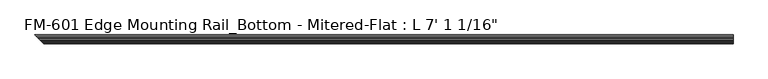
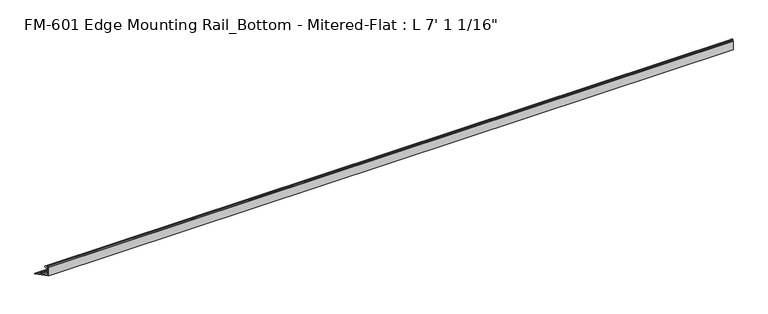
"""IFC4 building model written with IfcOpenShell, lengths in millimetres: proxy geometry."""

from ifc_helpers import new_model, si_unit, frame, origin, place, context, project, spatial, polyline, circle_curve, ellipse_curve, source, transform, mapped, element, save
from ifc_brep_helpers import plane_surface, cylinder_surface, revolved_surface, advanced_brep


def proxy_6fc5c407(model_context):
    return source(origin(), model_context, "Body", "AdvancedBrep", [
        advanced_brep(
        [(2160.5875, -13.6400687, 32.1158903), (2160.5875, -15.4750158, 32.6885982), (2160.5875, -16.1549378, 32.2686835), (2160.5875, -16.1549378, 30.7270734), (2160.5875, -17.7424378, 29.1395734), (2160.5875, -19.05, 29.1395734), (2160.5875, -19.05, 0.0), (2160.5875, 8.2663259, 0.0), (2160.5875, 8.2663259, 1.5874515), (2160.5875, 4.3959178, 1.5874515), (2160.5875, 1.2463178, 1.5874515), (2160.5875, -3.2106953, 1.5874515), (2160.5875, -6.3856306, 1.6018072), (2160.5875, -15.5573314, 1.6102595), (2160.5875, -17.4625, 3.5152595), (2160.5875, -17.4625, 12.4909614), (2160.5875, -17.9716639, 13.408381), (2160.5875, -17.9716639, 14.7485418), (2160.5875, -17.4625, 15.6659614), (2160.5875, -17.4625, 26.8535734), (2160.5875, -16.9376166, 27.3612928), (2160.5875, -16.1779173, 26.4138515), (2160.5875, -15.4364113, 25.7360779), (2160.5875, -13.6400687, 26.2967369), (2160.5875, -11.9462301, 30.7938136), (21.9063946, -13.6400687, 32.1158903), (23.7413417, -15.4750158, 32.6885982), (24.4212637, -16.1549378, 32.2686835), (24.4212637, -16.1549378, 30.7270734), (26.0087637, -17.7424378, 29.1395734), (27.3163259, -19.05, 29.1395734), (27.3163259, -19.05, 0.0), (0.0, 8.2663259, 0.0), (23.8236573, -15.5573314, 1.6102595), (25.7288259, -17.4625, 3.5152595), (25.7288259, -17.4625, 12.4909614), (26.2379898, -17.9716639, 13.408381), (26.2379898, -17.9716639, 14.7485418), (25.7288259, -17.4625, 15.6659614), (25.7288259, -17.4625, 26.8535734), (25.2039425, -16.9376166, 27.3612928), (24.4442432, -16.1779173, 26.4138515), (23.7027372, -15.4364113, 25.7360779), (21.9063946, -13.6400687, 26.2967369), (20.2125559, -11.9462301, 30.7938136), (11.4770211, -3.2106953, 1.5874515), (14.6519565, -6.3856306, 1.6018072), (7.0200081, 1.2463178, 1.5874515), (3.8704081, 4.3959178, 1.5874515), (0.0, 8.2663259, 1.5874515)],
        [
            (0, 1),
            (1, 2, circle_curve(frame((2160.5875, -15.6853088, 32.2686835), z_axis=(1.0, 0.0, 0.0), x_axis=(0.0, 1.0, 0.0)), 0.4696291)),
            (2, 3),
            (3, 4, circle_curve(frame((2160.5875, -17.7424378, 30.7270734), z_axis=(-1.0, 0.0, 0.0), x_axis=(0.0, 1.0, 0.0)), 1.5875)),
            (4, 5),
            (5, 6),
            (6, 7),
            (7, 8),
            (8, 9),
            (9, 10, circle_curve(frame((2160.5875, 2.8211178, 1.5874515), z_axis=(1.0, 0.0, 0.0), x_axis=(0.0, 1.0, 0.0)), 1.5748)),
            (10, 11),
            (11, 12, circle_curve(frame((2160.5875, -4.7981954, 1.5874515), z_axis=(1.0, 0.0, 0.0), x_axis=(0.0, 1.0, 0.0)), 1.5875001)),
            (12, 13),
            (13, 14, circle_curve(frame((2160.5875, -15.5575, 3.5152595), z_axis=(-1.0, 0.0, 0.0), x_axis=(0.0, 1.0, 0.0)), 1.905)),
            (14, 15),
            (15, 16),
            (16, 17),
            (17, 18),
            (18, 19),
            (19, 20, circle_curve(frame((2160.5875, -16.9545, 26.8535734), z_axis=(-1.0, 0.0, 0.0), x_axis=(0.0, 1.0, 0.0)), 0.508)),
            (20, 21, circle_curve(frame((2160.5875, -16.9169378, 26.5995734), z_axis=(-1.0, 0.0, 0.0), x_axis=(0.0, 1.0, 0.0)), 0.762)),
            (21, 22, circle_curve(frame((2160.5875, -15.6245238, 26.2747792), z_axis=(1.0, 0.0, 0.0), x_axis=(0.0, 1.0, 0.0)), 0.5706009)),
            (22, 23),
            (23, 24, circle_curve(frame((2160.5875, -14.5481808, 29.2063136), z_axis=(1.0, 0.0, 0.0), x_axis=(0.0, 1.0, 0.0)), 3.048)),
            (24, 0, circle_curve(frame((2160.5875, -14.5481808, 29.2063136), z_axis=(1.0, 0.0, 0.0), x_axis=(0.0, 1.0, 0.0)), 3.048)),
            (0, 25),
            (25, 26),
            (26, 1),
            (26, 27, ellipse_curve(frame((23.9516346, -15.6853088, 32.2686835), z_axis=(0.7071067811864319, 0.7071067811866631, 0.0), x_axis=(-0.7071067811866631, 0.7071067811864319, 0.0)), 0.6641558, 0.4696291)),
            (27, 2),
            (27, 28),
            (28, 3),
            (28, 29, ellipse_curve(frame((26.0087637, -17.7424378, 30.7270734), z_axis=(-0.7071067811864319, -0.7071067811866631, 0.0), x_axis=(0.7071067811866631, -0.7071067811864319, 0.0)), 2.245064, 1.5875)),
            (29, 4),
            (29, 30),
            (30, 5),
            (30, 31),
            (31, 6),
            (31, 32),
            (32, 7),
            (13, 33),
            (33, 34, ellipse_curve(frame((23.8238259, -15.5575, 3.5152595), z_axis=(-0.7071067811864319, -0.7071067811866631, 0.0), x_axis=(0.7071067811866631, -0.7071067811864319, 0.0)), 2.6940768, 1.905)),
            (34, 14),
            (34, 35),
            (35, 15),
            (35, 36),
            (36, 16),
            (36, 37),
            (37, 17),
            (37, 38),
            (38, 18),
            (38, 39),
            (39, 19),
            (39, 40, ellipse_curve(frame((25.2208259, -16.9545, 26.8535734), z_axis=(-0.7071067811864319, -0.7071067811866631, 0.0), x_axis=(0.7071067811866631, -0.7071067811864319, 0.0)), 0.7184205, 0.508)),
            (40, 20),
            (40, 41, ellipse_curve(frame((25.1832637, -16.9169378, 26.5995734), z_axis=(-0.7071067811864319, -0.7071067811866631, 0.0), x_axis=(0.7071067811866631, -0.7071067811864319, 0.0)), 1.0776307, 0.762)),
            (41, 21),
            (41, 42, ellipse_curve(frame((23.8908497, -15.6245238, 26.2747792), z_axis=(0.7071067811864319, 0.7071067811866631, 0.0), x_axis=(-0.7071067811866631, 0.7071067811864319, 0.0)), 0.8069516, 0.5706009)),
            (42, 22),
            (42, 43),
            (43, 23),
            (43, 44, ellipse_curve(frame((22.8145067, -14.5481808, 29.2063136), z_axis=(0.7071067811864319, 0.7071067811866631, 0.0), x_axis=(-0.7071067811866631, 0.7071067811864319, 0.0)), 4.3105229, 3.048)),
            (44, 24),
            (44, 25, ellipse_curve(frame((22.8145067, -14.5481808, 29.2063136), z_axis=(0.7071067811864319, 0.7071067811866631, 0.0), x_axis=(-0.7071067811866631, 0.7071067811864319, 0.0)), 4.3105229, 3.048)),
            (11, 45),
            (45, 46, ellipse_curve(frame((13.0645213, -4.7981954, 1.5874515), z_axis=(0.7071067811864319, 0.7071067811866631, 0.0), x_axis=(-0.7071067811866631, 0.7071067811864319, 0.0)), 2.2450642, 1.5875001)),
            (46, 12),
            (46, 33),
            (45, 47),
            (47, 48, ellipse_curve(frame((5.4452081, 2.8211178, 1.5874515), z_axis=(-0.7071067811864319, -0.7071067811866631, 0.0), x_axis=(-0.7071067811866631, 0.7071067811864319, 0.0)), 2.2271035, 1.5748)),
            (48, 49),
            (49, 32),
            (49, 8),
            (48, 9),
            (47, 10),
        ],
        [
            plane_surface(frame((2160.5875, -13.6400687, 32.1158903), z_axis=(1.0, 0.0, 0.0), x_axis=(0.0, 0.9545855229405114, -0.2979370393092986))),
            plane_surface(frame((0.0, -13.6400687, 32.1158903), z_axis=(0.0, 0.2979370393092986, 0.9545855229405114), x_axis=(1.0, 0.0, 0.0))),
            cylinder_surface(frame((2160.5875, -15.6853088, 32.2686835), z_axis=(-1.0, 0.0, 0.0), x_axis=(0.0, 1.0, 0.0)), 0.4696291),
            plane_surface(frame((0.0, -16.1549378, 32.2686835), z_axis=(0.0, -1.0, 0.0), x_axis=(1.0, 0.0, 0.0))),
            revolved_surface(polyline([(2160.5875, -16.154937800000003, 30.7270734), (24.421263700000054, -16.154937800000003, 30.7270734)]), (2160.5875, -17.7424378, 30.7270734), (1.0, 0.0, 0.0)),
            plane_surface(frame((0.0, -17.7424378, 29.1395734), z_axis=(0.0, 0.0, 1.0), x_axis=(1.0, 0.0, 0.0))),
            plane_surface(frame((0.0, -19.05, 29.1395734), z_axis=(0.0, -1.0, 0.0), x_axis=(1.0, 0.0, 0.0))),
            plane_surface(frame((0.0, -19.05, 0.0), z_axis=(0.0, 0.0, -1.0), x_axis=(1.0, 0.0, 0.0))),
            revolved_surface(polyline([(2160.5875, -13.6525, 3.5152595), (21.918825925682086, -13.6525, 3.5152595)]), (2160.5875, -15.5575, 3.5152595), (1.0, 0.0, 0.0)),
            plane_surface(frame((0.0, -17.4625, 3.5152595), z_axis=(0.0, 1.0, 0.0), x_axis=(1.0, 0.0, 0.0))),
            plane_surface(frame((0.0, -17.4625, 12.4909614), z_axis=(0.0, 0.8743650443659691, 0.48526875975164224), x_axis=(1.0, 0.0, 0.0))),
            plane_surface(frame((0.0, -17.9716639, 13.408381), z_axis=(0.0, 1.0, 0.0), x_axis=(1.0, 0.0, 0.0))),
            plane_surface(frame((0.0, -17.9716639, 14.7485418), z_axis=(0.0, 0.8743650443696134, -0.48526875974507594), x_axis=(1.0, 0.0, 0.0))),
            plane_surface(frame((0.0, -17.4625, 15.6659614), z_axis=(0.0, 1.0, 0.0), x_axis=(1.0, 0.0, 0.0))),
            revolved_surface(polyline([(2160.5875, -16.4465, 26.8535734), (24.712825892706405, -16.4465, 26.8535734)]), (2160.5875, -16.9545, 26.8535734), (1.0, 0.0, 0.0)),
            revolved_surface(polyline([(2160.5875, -16.1549378, 26.5995734), (24.42126372441544, -16.1549378, 26.5995734)]), (2160.5875, -16.9169378, 26.5995734), (1.0, 0.0, 0.0)),
            cylinder_surface(frame((2160.5875, -15.6245238, 26.2747792), z_axis=(-1.0, 0.0, 0.0), x_axis=(0.0, 1.0, 0.0)), 0.5706009),
            plane_surface(frame((0.0, -15.4364113, 25.7360779), z_axis=(0.0, 0.2979370393102276, -0.9545855229402215), x_axis=(1.0, 0.0, 0.0))),
            cylinder_surface(frame((2160.5875, -14.5481808, 29.2063136), z_axis=(-1.0, 0.0, 0.0), x_axis=(0.0, 1.0, 0.0)), 3.048),
            cylinder_surface(frame((2160.5875, -4.7981954, 1.5874515), z_axis=(-1.0, 0.0, 0.0), x_axis=(0.0, 1.0, 0.0)), 1.5875001),
            plane_surface(frame((0.0, -6.3856306, 1.6018072), z_axis=(0.0, 0.0009215592420675928, 0.9999995753641916), x_axis=(1.0, 0.0, 0.0))),
            plane_surface(frame((0.0, 8.2663259, 33.4603096), z_axis=(-0.7071067811864319, -0.7071067811866631, 0.0), x_axis=(0.0, 0.0, -1.0))),
            plane_surface(frame((0.0, 8.2663259, 0.0), z_axis=(0.0, 1.0, 0.0), x_axis=(1.0, 0.0, 0.0))),
            plane_surface(frame((0.0, 8.2663259, 1.5874515), z_axis=(0.0, 0.0, 1.0), x_axis=(1.0, 0.0, 0.0))),
            cylinder_surface(frame((2160.5875, 2.8211178, 1.5874515), z_axis=(-1.0, 0.0, 0.0), x_axis=(0.0, 1.0, 0.0)), 1.5748),
            plane_surface(frame((0.0, 1.2463178, 1.5874515), z_axis=(0.0, 0.0, 1.0), x_axis=(1.0, 0.0, 0.0))),
        ],
        [
            (0, [[1, 2, 3, 4, 5, 6, 7, 8, 9, 10, 11, 12, 13, 14, 15, 16, 17, 18, 19, 20, 21, 22, 23, 24, 25]]),
            (1, [[26, 27, 28, -1]]),
            (2, [[-28, 29, 30, -2]]),
            (3, [[-30, 31, 32, -3]]),
            (4, [[-32, 33, 34, -4]]),
            (5, [[-34, 35, 36, -5]]),
            (6, [[-36, 37, 38, -6]]),
            (7, [[-38, 39, 40, -7]]),
            (8, [[41, 42, 43, -14]]),
            (9, [[-43, 44, 45, -15]]),
            (10, [[-45, 46, 47, -16]]),
            (11, [[-47, 48, 49, -17]]),
            (12, [[-49, 50, 51, -18]]),
            (13, [[-51, 52, 53, -19]]),
            (14, [[-53, 54, 55, -20]]),
            (15, [[-55, 56, 57, -21]]),
            (16, [[-57, 58, 59, -22]]),
            (17, [[-59, 60, 61, -23]]),
            (18, [[-61, 62, 63, -24]]),
            (18, [[-63, 64, -26, -25]]),
            (19, [[65, 66, 67, -12]]),
            (20, [[-67, 68, -41, -13]]),
            (21, [[-64, -62, -60, -58, -56, -54, -52, -50, -48, -46, -44, -42, -68, -66, 69, 70, 71, 72, -39, -37, -35, -33, -31, -29, -27]]),
            (22, [[-40, -72, 73, -8]]),
            (23, [[-73, -71, 74, -9]]),
            (24, [[-74, -70, 75, -10]]),
            (25, [[-75, -69, -65, -11]]),
        ],
    ),
    ])


if __name__ == "__main__":
    model = new_model("IFC4")
    model_context = context("Model", 3, world=origin())
    ifc_project = project(units=[si_unit("LENGTHUNIT", "METRE", prefix="MILLI")], contexts=[model_context])
    site = spatial("IfcSite", under=ifc_project)
    building = spatial("IfcBuilding", under=site)
    placement = place(None, origin())
    proxy_shape = proxy_6fc5c407(model_context)
    element("IfcBuildingElementProxy", 1, Name="FM-601 Edge Mounting Rail_Bottom - Mitered-Flat : L 7' 1 1/16\"", ObjectType="FM-601 Edge Mounting Rail_Bottom - Mitered-Flat : L 7' 1 1/16\"", at=placement, inside=building, context=model_context, shape_type="MappedRepresentation", body=[
        mapped(proxy_shape, transform((0.0, 0.0, 0.0), x_axis=(1.0, 0.0, 0.0), y_axis=(0.0, 1.0, 0.0), z_axis=(0.0, 0.0, 1.0))),
    ])
    save(model, "model.ifc")
